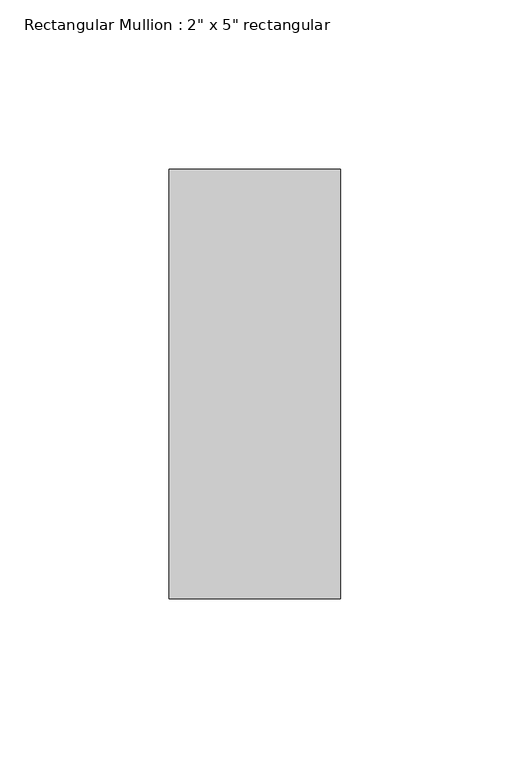
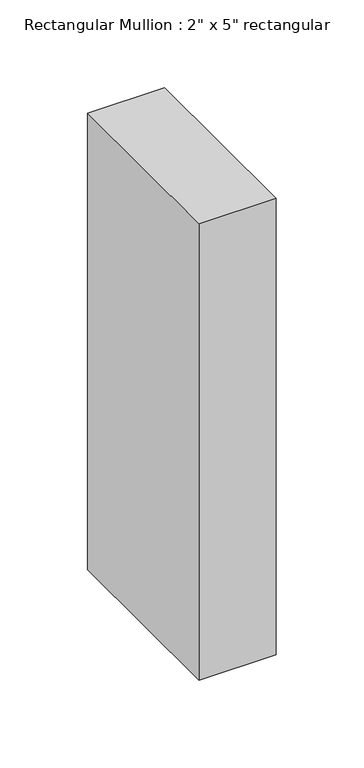
"""IFC4 building model written with IfcOpenShell, lengths in millimetres: member geometry."""

from ifc_helpers import new_model, si_unit, frame, origin, place, context, project, spatial, polyline, outline, extrude, source, transform, mapped, element, save


def member_24dee5c8(model_context):
    return source(origin(), model_context, "Body", "SweptSolid", [
        extrude(outline(polyline([(0.0, 63.5), (0.0, -63.5), (-50.8, -63.5), (-50.8, 63.5), (0.0, 63.5)])), frame((0.0, 0.0, -317.5), z_axis=(0.0, 0.0, 1.0), x_axis=(1.0, 0.0, 0.0)), (0.0, 0.0, 1.0), 317.5),
    ])


if __name__ == "__main__":
    model = new_model("IFC4")
    model_context = context("Model", 3, world=origin())
    ifc_project = project(units=[si_unit("LENGTHUNIT", "METRE", prefix="MILLI")], contexts=[model_context])
    site = spatial("IfcSite", under=ifc_project)
    building = spatial("IfcBuilding", under=site)
    placement = place(None, origin())
    member_shape = member_24dee5c8(model_context)
    element("IfcMember", 1, ObjectType="Rectangular Mullion : 2\" x 5\" rectangular", at=placement, inside=building, context=model_context, shape_type="MappedRepresentation", body=[
        mapped(member_shape, transform((0.0, 0.0, 0.0), x_axis=(1.0, 0.0, 0.0), y_axis=(0.0, 1.0, 0.0), z_axis=(0.0, 0.0, 1.0))),
    ])
    save(model, "model.ifc")
